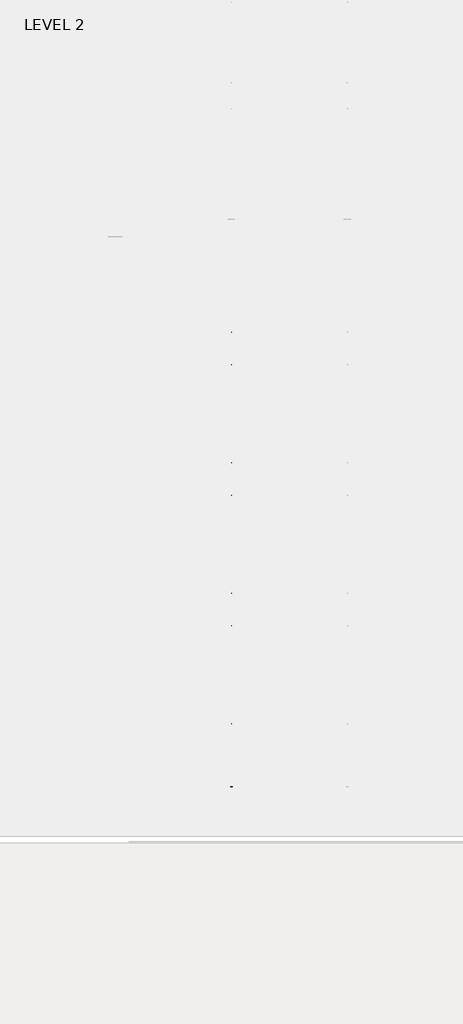
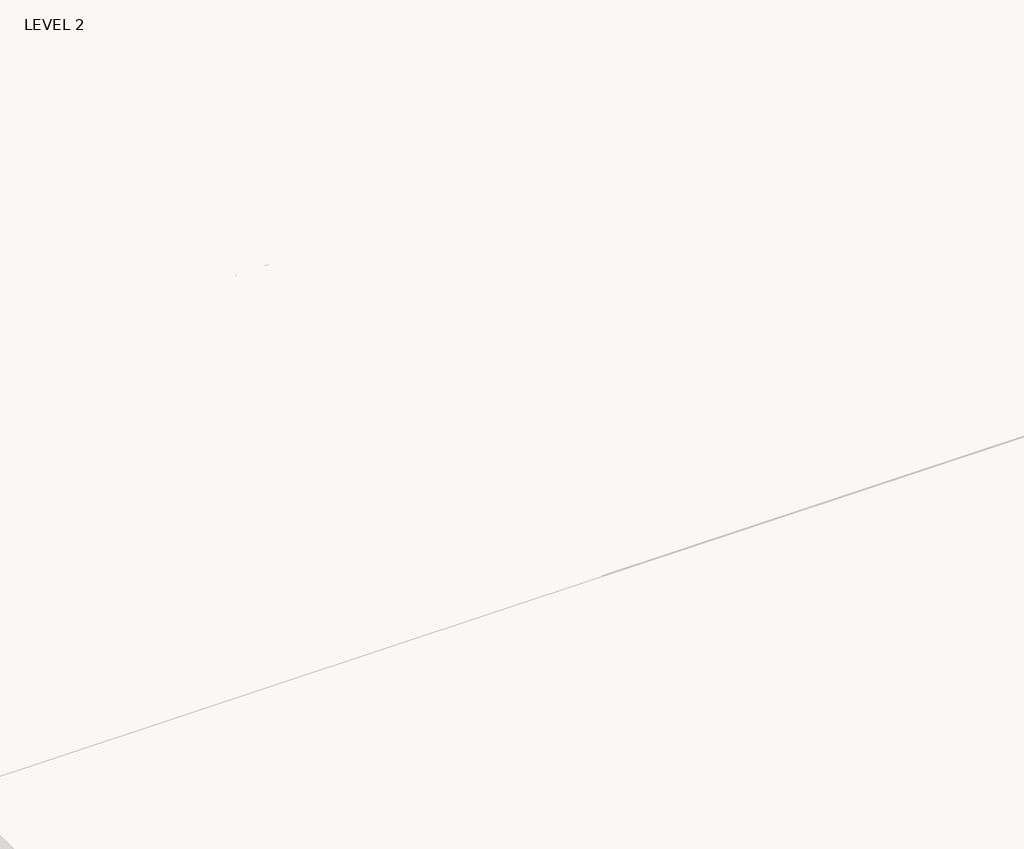
# One storey, part 10 of 67: 1 beam.
"""IFC4 building model written with IfcOpenShell, lengths in millimetres."""

from ifc_helpers import new_model, si_unit, frame, origin, place, context, project, spatial, polyline, outline, extrude, faceted_brep, element, save

model = new_model("IFC4")

# Units and contexts
model_context = context("Model", 3, world=origin())
ifc_project = project(units=[si_unit("LENGTHUNIT", "METRE", prefix="MILLI")], contexts=[model_context])

# Site, building, storey
site = spatial("IfcSite", under=ifc_project)
building = spatial("IfcBuilding", under=site)
storey = spatial("IfcBuildingStorey", under=building, Name="LEVEL 2", Elevation=6908.8)

# Beam
placement = place(None, origin())
element("IfcBeam", 1, ObjectType="K-Series Bar Joist-Angle Web : 12K3", at=placement, inside=storey, context=model_context, shape_type="SolidModel", body=[
    extrude(outline(polyline([(0.0, -9.525), (0.0, 0.0), (573.7533355, 0.0), (573.7533355, -9.525), (0.0, -9.525)])), frame((13664.7614942, -8384.9703623, 6274.5702814), z_axis=(0.0, -0.47954343730979243, 0.8775181432501035), x_axis=(0.0, -0.8775181432501035, -0.47954343730979243)), (0.0, 0.0, 1.0), 9.525),
    extrude(outline(polyline([(0.0, -9.525), (0.0, 0.0), (573.7533355, 0.0), (573.7533355, -9.525), (0.0, -9.525)])), frame((13655.2364942, -14433.7556121, 6173.6227252), z_axis=(0.0, 0.44999492249664974, 0.893031113526978), x_axis=(0.0, 0.893031113526978, -0.44999492249664974)), (0.0, 0.0, 1.0), 9.525),
    extrude(outline(polyline([(4.7625, 4.7625001), (4.7625, -4.7625), (-4.7625, -4.7625), (-4.7625, 4.7625001), (4.7625, 4.7625001)])), frame((13659.9989942, -8890.7331495, 6003.6098148), z_axis=(0.0, 0.5446821447758766, 0.838642570564094), x_axis=(-1.0, 0.0, 0.0)), (0.0, 0.0, 1.0), 321.5434366),
    extrude(outline(polyline([(4.7625, 4.7625), (4.7625, -4.7625), (-4.7625, -4.7625), (-4.7625, 4.7625), (4.7625, 4.7625)])), frame((13659.9989942, -13919.2329312, 5919.6896981), z_axis=(0.0, -0.5723630656913158, 0.820000317702645), x_axis=(-1.0, 0.0, 0.0)), (0.0, 0.0, 1.0), 321.5434366),
    extrude(outline(polyline([(0.0, 0.0), (31.75, 0.0), (31.75, -6.35), (6.35, -6.35), (6.35, -31.7500001), (0.0, -31.7500001), (0.0, 0.0)])), frame((13664.7614942, -14020.7128256, 5911.6452263), z_axis=(0.0, 0.9998607694356157, 0.016686573753125922), x_axis=(1.0, 0.0, 0.0)), (0.0, 0.0, 1.0), 5232.4),
    extrude(outline(polyline([(-9.525, 0.0), (-9.525, -31.7500001), (-15.875, -31.7500001), (-15.875, -6.35), (-41.275, -6.35), (-41.275, 0.0), (-9.525, 0.0)])), frame((13664.7614942, -14020.7128256, 5911.6452263), z_axis=(0.0, 0.9998607694356157, 0.016686573753125922), x_axis=(1.0, 0.0, 0.0)), (0.0, 0.0, 1.0), 5232.4),
    extrude(outline(polyline([(-31.75, 0.0), (0.0, 0.0), (0.0, -6.35), (-25.4, -6.35), (-25.4, -31.7500001), (-31.75, -31.7500001), (-31.75, 0.0)])), frame((13696.5114942, -14532.6685667, 6144.4348505), z_axis=(0.0, 0.9998607694356157, 0.016686573753125922), x_axis=(1.0, 0.0, 0.0)), (0.0, 0.0, 1.0), 101.6),
    extrude(outline(polyline([(-41.275, 0.0), (-41.275, -31.7500001), (-47.625, -31.7500001), (-47.625, -6.35), (-73.025, -6.35), (-73.025, 0.0), (-41.275, 0.0)])), frame((13696.5114942, -14532.6685667, 6144.4348505), z_axis=(0.0, 0.9998607694356157, 0.016686573753125922), x_axis=(1.0, 0.0, 0.0)), (0.0, 0.0, 1.0), 101.6),
    extrude(outline(polyline([(0.0, 0.0), (31.75, 0.0), (31.75, -6.35), (6.35, -6.35), (6.35, -31.75), (0.0, -31.75), (0.0, 0.0)])), frame((13655.2364942, -8386.7243892, 6247.0038821), z_axis=(0.0, 0.9998607694356157, 0.016686573753125922), x_axis=(0.0, -0.016686573753125922, 0.9998607694356157)), (0.0, 0.0, 1.0), 101.6),
    extrude(outline(polyline([(0.0, 41.275), (6.35, 41.275), (6.35, 15.875), (31.75, 15.875), (31.75, 9.525), (0.0, 9.525), (0.0, 41.275)])), frame((13655.2364942, -8386.7243892, 6247.0038821), z_axis=(0.0, 0.9998607694356157, 0.016686573753125922), x_axis=(0.0, -0.016686573753125922, 0.9998607694356157)), (0.0, 0.0, 1.0), 101.6),
    extrude(outline(polyline([(0.0, 0.0), (31.75, 0.0), (31.75, -6.35), (6.35, -6.35), (6.35, -31.75), (0.0, -31.75), (0.0, 0.0)])), frame((13664.7614942, -14533.7281642, 6207.9260094), z_axis=(0.0, 0.9998607694356157, 0.016686573753125922), x_axis=(0.0, 0.016686573753125922, -0.9998607694356157)), (0.0, 0.0, 1.0), 6248.4),
    extrude(outline(polyline([(0.0, 9.525), (0.0, 41.275), (6.35, 41.275), (6.35, 15.875), (31.75, 15.875), (31.75, 9.525), (0.0, 9.525)])), frame((13664.7614942, -14533.7281642, 6207.9260094), z_axis=(0.0, 0.9998607694356157, 0.016686573753125922), x_axis=(0.0, 0.016686573753125922, -0.9998607694356157)), (0.0, 0.0, 1.0), 6248.4),
    faceted_brep([(13659.9989942, -8890.9980489, 6019.4826046), (13659.9989942, -8890.6801697, 6000.4352569), (13655.2364942, -8890.6801697, 6000.4352569), (13655.2364942, -8890.9980489, 6019.4826046), (13659.9989942, -8891.9429222, 6019.4668357), (13659.9989942, -9063.496197, 6296.0427071), (13659.9989942, -9081.5986714, 6295.7405968), (13659.9989942, -9081.2807922, 6276.6932491), (13659.9989942, -9073.986803, 6276.8149778), (13659.9989942, -8902.4335282, 6000.2391063), (13655.2364942, -8902.4335282, 6000.2391063), (13655.2364942, -8923.8776875, 6034.8110902), (13655.2364942, -8919.8305256, 6037.3214462), (13655.2364942, -9060.192296, 6263.6107955), (13655.2364942, -9064.2394579, 6261.1004396), (13655.2364942, -9073.986803, 6276.8149778), (13655.2364942, -9081.2807922, 6276.6932491), (13655.2364942, -9081.5986714, 6295.7405968), (13655.2364942, -9063.496197, 6296.0427071), (13655.2364942, -8891.9429222, 6019.4668357), (13642.5364942, -9064.2394579, 6261.1004396), (13642.5364942, -8923.8776875, 6034.8110902), (13642.5364942, -8919.8305256, 6037.3214462), (13642.5364942, -9060.192296, 6263.6107955)], [[[0, 1, 2, 3]], [[1, 0, 4, 5, 6, 7, 8, 9]], [[2, 1, 9, 10]], [[3, 2, 10, 11, 12, 13, 14, 15, 16, 17, 18, 19]], [[0, 3, 19, 4]], [[9, 8, 15, 14, 20, 21, 11, 10]], [[5, 4, 19, 18]], [[7, 6, 17, 16]], [[8, 7, 16, 15]], [[6, 5, 18, 17]], [[21, 22, 12, 11]], [[20, 14, 13, 23]], [[22, 21, 20, 23]], [[12, 22, 23, 13]]]),
    extrude(outline(polyline([(-9249.8587255, 5994.4409629), (-9250.1766047, 6013.4883105), (-9249.2317315, 6013.5040794), (-9087.002914, 6295.6504059), (-9068.9004396, 6295.9525163), (-9068.5825604, 6276.9051686), (-9075.8765496, 6276.78344), (-9238.105367, 5994.6371134), (-9249.8587255, 5994.4409629)])), frame((13659.9989942, 0.0, 0.0), z_axis=(1.0, 0.0, 0.0), x_axis=(0.0, 1.0, 0.0)), (0.0, 0.0, 1.0), 4.7625),
    extrude(outline(polyline([(-4.7625, 4.7625001), (-4.7625, 0.0), (-17.4625, 0.0), (-17.4625, 4.7625001), (-4.7625, 4.7625001)])), frame((13659.9989942, -9217.8267648, 6029.9054043), z_axis=(0.0, 0.4984588389961533, 0.8669133669673152), x_axis=(-1.0, 0.0, 0.0)), (0.0, 0.0, 1.0), 266.2861172),
    faceted_brep([(13659.9989942, -13560.3192747, 5941.5567819), (13659.9989942, -13560.0013955, 5922.5094342), (13655.2364942, -13560.0013955, 5922.5094342), (13655.2364942, -13560.3192747, 5941.5567819), (13659.9989942, -13561.264148, 5941.541013), (13659.9989942, -13732.8174229, 6218.1168844), (13659.9989942, -13750.9198972, 6217.8147741), (13659.9989942, -13750.602018, 6198.7674264), (13659.9989942, -13743.3080288, 6198.8891551), (13659.9989942, -13571.754754, 5922.3132836), (13655.2364942, -13571.754754, 5922.3132836), (13655.2364942, -13593.1989133, 5956.8852676), (13655.2364942, -13589.1517514, 5959.3956235), (13655.2364942, -13729.5135218, 6185.6849729), (13655.2364942, -13733.5606837, 6183.1746169), (13655.2364942, -13743.3080288, 6198.8891551), (13655.2364942, -13750.602018, 6198.7674264), (13655.2364942, -13750.9198972, 6217.8147741), (13655.2364942, -13732.8174229, 6218.1168844), (13655.2364942, -13561.264148, 5941.541013), (13642.5364942, -13733.5606837, 6183.1746169), (13642.5364942, -13593.1989133, 5956.8852676), (13642.5364942, -13589.1517514, 5959.3956235), (13642.5364942, -13729.5135218, 6185.6849729)], [[[0, 1, 2, 3]], [[1, 0, 4, 5, 6, 7, 8, 9]], [[2, 1, 9, 10]], [[3, 2, 10, 11, 12, 13, 14, 15, 16, 17, 18, 19]], [[0, 3, 19, 4]], [[9, 8, 15, 14, 20, 21, 11, 10]], [[5, 4, 19, 18]], [[7, 6, 17, 16]], [[8, 7, 16, 15]], [[6, 5, 18, 17]], [[21, 22, 12, 11]], [[20, 14, 13, 23]], [[22, 21, 20, 23]], [[12, 22, 23, 13]]]),
    extrude(outline(polyline([(-13919.1799513, 5916.5151402), (-13919.4978306, 5935.5624878), (-13918.5529573, 5935.5782567), (-13756.3241398, 6217.7245833), (-13738.2216655, 6218.0266936), (-13737.9037862, 6198.9793459), (-13745.1977754, 6198.8576173), (-13907.4265928, 5916.7112908), (-13919.1799513, 5916.5151402)])), frame((13659.9989942, 0.0, 0.0), z_axis=(1.0, 0.0, 0.0), x_axis=(0.0, 1.0, 0.0)), (0.0, 0.0, 1.0), 4.7625),
    extrude(outline(polyline([(-4.7625, 4.7625), (-4.7625, 0.0), (-17.4625, 0.0), (-17.4625, 4.7625), (-4.7625, 4.7625)])), frame((13659.9989942, -13887.1479907, 5951.9795816), z_axis=(0.0, 0.4984588389961533, 0.8669133669673152), x_axis=(-1.0, 0.0, 0.0)), (0.0, 0.0, 1.0), 266.2861172),
    faceted_brep([(13659.9989942, -9250.1766047, 6013.4883105), (13659.9989942, -9249.8587255, 5994.4409629), (13655.2364942, -9249.8587255, 5994.4409629), (13655.2364942, -9250.1766047, 6013.4883105), (13659.9989942, -9251.121478, 6013.4725416), (13659.9989942, -9422.6747529, 6290.0484131), (13659.9989942, -9440.7772272, 6289.7463027), (13659.9989942, -9440.459348, 6270.6989551), (13659.9989942, -9433.1653588, 6270.8206837), (13659.9989942, -9261.612084, 5994.2448123), (13655.2364942, -9261.612084, 5994.2448123), (13655.2364942, -9283.0562434, 6028.8167962), (13655.2364942, -9279.0090815, 6031.3271521), (13655.2364942, -9419.3708518, 6257.6165015), (13655.2364942, -9423.4180137, 6255.1061455), (13655.2364942, -9433.1653588, 6270.8206837), (13655.2364942, -9440.459348, 6270.6989551), (13655.2364942, -9440.7772272, 6289.7463027), (13655.2364942, -9422.6747529, 6290.0484131), (13655.2364942, -9251.121478, 6013.4725416), (13642.5364942, -9423.4180137, 6255.1061455), (13642.5364942, -9283.0562434, 6028.8167962), (13642.5364942, -9279.0090815, 6031.3271521), (13642.5364942, -9419.3708518, 6257.6165015)], [[[0, 1, 2, 3]], [[1, 0, 4, 5, 6, 7, 8, 9]], [[2, 1, 9, 10]], [[3, 2, 10, 11, 12, 13, 14, 15, 16, 17, 18, 19]], [[0, 3, 19, 4]], [[9, 8, 15, 14, 20, 21, 11, 10]], [[5, 4, 19, 18]], [[7, 6, 17, 16]], [[8, 7, 16, 15]], [[6, 5, 18, 17]], [[21, 22, 12, 11]], [[20, 14, 13, 23]], [[22, 21, 20, 23]], [[12, 22, 23, 13]]]),
    extrude(outline(polyline([(-9609.0372813, 5988.4466688), (-9609.3551606, 6007.4940165), (-9608.4102873, 6007.5097854), (-9446.1814699, 6289.6561119), (-9428.0789955, 6289.9582222), (-9427.7611162, 6270.9108746), (-9435.0551054, 6270.7891459), (-9597.2839229, 5988.6428194), (-9609.0372813, 5988.4466688)])), frame((13659.9989942, 0.0, 0.0), z_axis=(1.0, 0.0, 0.0), x_axis=(0.0, 1.0, 0.0)), (0.0, 0.0, 1.0), 4.7625),
    extrude(outline(polyline([(-4.7625, 4.7625), (-4.7625, 0.0), (-17.4625, 0.0), (-17.4625, 4.7625), (-4.7625, 4.7625)])), frame((13659.9989942, -9577.0053207, 6023.9111102), z_axis=(0.0, 0.4984588389961533, 0.8669133669673152), x_axis=(-1.0, 0.0, 0.0)), (0.0, 0.0, 1.0), 266.2861172),
    faceted_brep([(13659.9989942, -9609.3551606, 6007.4940165), (13659.9989942, -9609.0372813, 5988.4466688), (13655.2364942, -9609.0372813, 5988.4466688), (13655.2364942, -9609.3551606, 6007.4940165), (13659.9989942, -9610.3000339, 6007.4782476), (13659.9989942, -9781.8533087, 6284.054119), (13659.9989942, -9799.9557831, 6283.7520087), (13659.9989942, -9799.6379039, 6264.704661), (13659.9989942, -9792.3439147, 6264.8263896), (13659.9989942, -9620.7906398, 5988.2505182), (13655.2364942, -9620.7906398, 5988.2505182), (13655.2364942, -9642.2347992, 6022.8225021), (13655.2364942, -9638.1876373, 6025.3328581), (13655.2364942, -9778.5494076, 6251.6222074), (13655.2364942, -9782.5965695, 6249.1118515), (13655.2364942, -9792.3439147, 6264.8263896), (13655.2364942, -9799.6379039, 6264.704661), (13655.2364942, -9799.9557831, 6283.7520087), (13655.2364942, -9781.8533087, 6284.054119), (13655.2364942, -9610.3000339, 6007.4782476), (13642.5364942, -9782.5965695, 6249.1118515), (13642.5364942, -9642.2347992, 6022.8225021), (13642.5364942, -9638.1876373, 6025.3328581), (13642.5364942, -9778.5494076, 6251.6222074)], [[[0, 1, 2, 3]], [[1, 0, 4, 5, 6, 7, 8, 9]], [[2, 1, 9, 10]], [[3, 2, 10, 11, 12, 13, 14, 15, 16, 17, 18, 19]], [[0, 3, 19, 4]], [[9, 8, 15, 14, 20, 21, 11, 10]], [[5, 4, 19, 18]], [[7, 6, 17, 16]], [[8, 7, 16, 15]], [[6, 5, 18, 17]], [[21, 22, 12, 11]], [[20, 14, 13, 23]], [[22, 21, 20, 23]], [[12, 22, 23, 13]]]),
    extrude(outline(polyline([(-9968.2158372, 5982.4523747), (-9968.5337164, 6001.4997224), (-9967.5888431, 6001.5154913), (-9805.3600257, 6283.6618178), (-9787.2575513, 6283.9639282), (-9786.9396721, 6264.9165805), (-9794.2336612, 6264.7948519), (-9956.4624787, 5982.6485253), (-9968.2158372, 5982.4523747)])), frame((13659.9989942, 0.0, 0.0), z_axis=(1.0, 0.0, 0.0), x_axis=(0.0, 1.0, 0.0)), (0.0, 0.0, 1.0), 4.7625),
    extrude(outline(polyline([(-4.7625, 4.7625), (-4.7625, 0.0), (-17.4625, 0.0), (-17.4625, 4.7625), (-4.7625, 4.7625)])), frame((13659.9989942, -9936.1838765, 6017.9168162), z_axis=(0.0, 0.4984588389961533, 0.8669133669673152), x_axis=(-1.0, 0.0, 0.0)), (0.0, 0.0, 1.0), 266.2861172),
    faceted_brep([(13659.9989942, -9968.5337164, 6001.4997224), (13659.9989942, -9968.2158372, 5982.4523747), (13655.2364942, -9968.2158372, 5982.4523747), (13655.2364942, -9968.5337164, 6001.4997224), (13659.9989942, -9969.4785897, 6001.4839535), (13659.9989942, -10141.0318645, 6278.059825), (13659.9989942, -10159.1343389, 6277.7577146), (13659.9989942, -10158.8164597, 6258.710367), (13659.9989942, -10151.5224705, 6258.8320956), (13659.9989942, -9979.9691957, 5982.2562242), (13655.2364942, -9979.9691957, 5982.2562242), (13655.2364942, -10001.413355, 6016.8282081), (13655.2364942, -9997.3661931, 6019.338564), (13655.2364942, -10137.7279635, 6245.6279134), (13655.2364942, -10141.7751254, 6243.1175574), (13655.2364942, -10151.5224705, 6258.8320956), (13655.2364942, -10158.8164597, 6258.710367), (13655.2364942, -10159.1343389, 6277.7577146), (13655.2364942, -10141.0318645, 6278.059825), (13655.2364942, -9969.4785897, 6001.4839535), (13642.5364942, -10141.7751254, 6243.1175574), (13642.5364942, -10001.413355, 6016.8282081), (13642.5364942, -9997.3661931, 6019.338564), (13642.5364942, -10137.7279635, 6245.6279134)], [[[0, 1, 2, 3]], [[1, 0, 4, 5, 6, 7, 8, 9]], [[2, 1, 9, 10]], [[3, 2, 10, 11, 12, 13, 14, 15, 16, 17, 18, 19]], [[0, 3, 19, 4]], [[9, 8, 15, 14, 20, 21, 11, 10]], [[5, 4, 19, 18]], [[7, 6, 17, 16]], [[8, 7, 16, 15]], [[6, 5, 18, 17]], [[21, 22, 12, 11]], [[20, 14, 13, 23]], [[22, 21, 20, 23]], [[12, 22, 23, 13]]]),
    extrude(outline(polyline([(-10327.394393, 5976.4580807), (-10327.7122722, 5995.5054284), (-10326.767399, 5995.5211972), (-10164.5385815, 6277.6675238), (-10146.4361071, 6277.9696341), (-10146.1182279, 6258.9222864), (-10153.4122171, 6258.8005578), (-10315.6410345, 5976.6542313), (-10327.394393, 5976.4580807)])), frame((13659.9989942, 0.0, 0.0), z_axis=(1.0, 0.0, 0.0), x_axis=(0.0, 1.0, 0.0)), (0.0, 0.0, 1.0), 4.7625),
    extrude(outline(polyline([(-4.7625, 4.7625), (-4.7625, 0.0), (-17.4625, 0.0), (-17.4625, 4.7625), (-4.7625, 4.7625)])), frame((13659.9989942, -10295.3624323, 6011.9225221), z_axis=(0.0, 0.4984588389961533, 0.8669133669673152), x_axis=(-1.0, 0.0, 0.0)), (0.0, 0.0, 1.0), 266.2861172),
    faceted_brep([(13659.9989942, -10327.7122722, 5995.5054284), (13659.9989942, -10327.394393, 5976.4580807), (13655.2364942, -10327.394393, 5976.4580807), (13655.2364942, -10327.7122722, 5995.5054284), (13659.9989942, -10328.6571455, 5995.4896595), (13659.9989942, -10500.2104204, 6272.0655309), (13659.9989942, -10518.3128947, 6271.7634206), (13659.9989942, -10517.9950155, 6252.7160729), (13659.9989942, -10510.7010263, 6252.8378015), (13659.9989942, -10339.1477515, 5976.2619301), (13655.2364942, -10339.1477515, 5976.2619301), (13655.2364942, -10360.5919108, 6010.833914), (13655.2364942, -10356.544749, 6013.34427), (13655.2364942, -10496.9065193, 6239.6336193), (13655.2364942, -10500.9536812, 6237.1232634), (13655.2364942, -10510.7010263, 6252.8378015), (13655.2364942, -10517.9950155, 6252.7160729), (13655.2364942, -10518.3128947, 6271.7634206), (13655.2364942, -10500.2104204, 6272.0655309), (13655.2364942, -10328.6571455, 5995.4896595), (13642.5364942, -10500.9536812, 6237.1232634), (13642.5364942, -10360.5919108, 6010.833914), (13642.5364942, -10356.544749, 6013.34427), (13642.5364942, -10496.9065193, 6239.6336193)], [[[0, 1, 2, 3]], [[1, 0, 4, 5, 6, 7, 8, 9]], [[2, 1, 9, 10]], [[3, 2, 10, 11, 12, 13, 14, 15, 16, 17, 18, 19]], [[0, 3, 19, 4]], [[9, 8, 15, 14, 20, 21, 11, 10]], [[5, 4, 19, 18]], [[7, 6, 17, 16]], [[8, 7, 16, 15]], [[6, 5, 18, 17]], [[21, 22, 12, 11]], [[20, 14, 13, 23]], [[22, 21, 20, 23]], [[12, 22, 23, 13]]]),
    extrude(outline(polyline([(-10686.5729488, 5970.4637866), (-10686.8908281, 5989.5111343), (-10685.9459548, 5989.5269032), (-10523.7171373, 6271.6732297), (-10505.614663, 6271.9753401), (-10505.2967837, 6252.9279924), (-10512.5907729, 6252.8062638), (-10674.8195903, 5970.6599372), (-10686.5729488, 5970.4637866)])), frame((13659.9989942, 0.0, 0.0), z_axis=(1.0, 0.0, 0.0), x_axis=(0.0, 1.0, 0.0)), (0.0, 0.0, 1.0), 4.7625),
    extrude(outline(polyline([(-4.7625, 4.7625), (-4.7625, 0.0), (-17.4625, 0.0), (-17.4625, 4.7625), (-4.7625, 4.7625)])), frame((13659.9989942, -10654.5409882, 6005.9282281), z_axis=(0.0, 0.4984588389961533, 0.8669133669673152), x_axis=(-1.0, 0.0, 0.0)), (0.0, 0.0, 1.0), 266.2861172),
    faceted_brep([(13659.9989942, -10686.8908281, 5989.5111343), (13659.9989942, -10686.5729488, 5970.4637866), (13655.2364942, -10686.5729488, 5970.4637866), (13655.2364942, -10686.8908281, 5989.5111343), (13659.9989942, -10687.8357014, 5989.4953654), (13659.9989942, -10859.3889762, 6266.0712369), (13659.9989942, -10877.4914506, 6265.7691265), (13659.9989942, -10877.1735713, 6246.7217789), (13659.9989942, -10869.8795822, 6246.8435075), (13659.9989942, -10698.3263073, 5970.2676361), (13655.2364942, -10698.3263073, 5970.2676361), (13655.2364942, -10719.7704667, 6004.83962), (13655.2364942, -10715.7233048, 6007.3499759), (13655.2364942, -10856.0850751, 6233.6393253), (13655.2364942, -10860.132237, 6231.1289693), (13655.2364942, -10869.8795822, 6246.8435075), (13655.2364942, -10877.1735713, 6246.7217789), (13655.2364942, -10877.4914506, 6265.7691265), (13655.2364942, -10859.3889762, 6266.0712369), (13655.2364942, -10687.8357014, 5989.4953654), (13642.5364942, -10860.132237, 6231.1289693), (13642.5364942, -10719.7704667, 6004.83962), (13642.5364942, -10715.7233048, 6007.3499759), (13642.5364942, -10856.0850751, 6233.6393253)], [[[0, 1, 2, 3]], [[1, 0, 4, 5, 6, 7, 8, 9]], [[2, 1, 9, 10]], [[3, 2, 10, 11, 12, 13, 14, 15, 16, 17, 18, 19]], [[0, 3, 19, 4]], [[9, 8, 15, 14, 20, 21, 11, 10]], [[5, 4, 19, 18]], [[7, 6, 17, 16]], [[8, 7, 16, 15]], [[6, 5, 18, 17]], [[21, 22, 12, 11]], [[20, 14, 13, 23]], [[22, 21, 20, 23]], [[12, 22, 23, 13]]]),
    extrude(outline(polyline([(-11045.7515047, 5964.4694926), (-11046.0693839, 5983.5168403), (-11045.1245106, 5983.5326091), (-10882.8956932, 6265.6789357), (-10864.7932188, 6265.981046), (-10864.4753396, 6246.9336983), (-10871.7693287, 6246.8119697), (-11033.9981462, 5964.6656432), (-11045.7515047, 5964.4694926)])), frame((13659.9989942, 0.0, 0.0), z_axis=(1.0, 0.0, 0.0), x_axis=(0.0, 1.0, 0.0)), (0.0, 0.0, 1.0), 4.7625),
    extrude(outline(polyline([(-4.7625, 4.7625), (-4.7625, 0.0), (-17.4625, 0.0), (-17.4625, 4.7625), (-4.7625, 4.7625)])), frame((13659.9989942, -11013.719544, 5999.933934), z_axis=(0.0, 0.4984588389961533, 0.8669133669673152), x_axis=(-1.0, 0.0, 0.0)), (0.0, 0.0, 1.0), 266.2861172),
    faceted_brep([(13659.9989942, -11046.0693839, 5983.5168403), (13659.9989942, -11045.7515047, 5964.4694926), (13655.2364942, -11045.7515047, 5964.4694926), (13655.2364942, -11046.0693839, 5983.5168403), (13659.9989942, -11047.0142572, 5983.5010714), (13659.9989942, -11218.567532, 6260.0769428), (13659.9989942, -11236.6700064, 6259.7748325), (13659.9989942, -11236.3521272, 6240.7274848), (13659.9989942, -11229.058138, 6240.8492134), (13659.9989942, -11057.5048632, 5964.273342), (13655.2364942, -11057.5048632, 5964.273342), (13655.2364942, -11078.9490225, 5998.8453259), (13655.2364942, -11074.9018606, 6001.3556819), (13655.2364942, -11215.263631, 6227.6450312), (13655.2364942, -11219.3107928, 6225.1346753), (13655.2364942, -11229.058138, 6240.8492134), (13655.2364942, -11236.3521272, 6240.7274848), (13655.2364942, -11236.6700064, 6259.7748325), (13655.2364942, -11218.567532, 6260.0769428), (13655.2364942, -11047.0142572, 5983.5010714), (13642.5364942, -11219.3107928, 6225.1346753), (13642.5364942, -11078.9490225, 5998.8453259), (13642.5364942, -11074.9018606, 6001.3556819), (13642.5364942, -11215.263631, 6227.6450312)], [[[0, 1, 2, 3]], [[1, 0, 4, 5, 6, 7, 8, 9]], [[2, 1, 9, 10]], [[3, 2, 10, 11, 12, 13, 14, 15, 16, 17, 18, 19]], [[0, 3, 19, 4]], [[9, 8, 15, 14, 20, 21, 11, 10]], [[5, 4, 19, 18]], [[7, 6, 17, 16]], [[8, 7, 16, 15]], [[6, 5, 18, 17]], [[21, 22, 12, 11]], [[20, 14, 13, 23]], [[22, 21, 20, 23]], [[12, 22, 23, 13]]]),
    extrude(outline(polyline([(-11404.9300605, 5958.4751985), (-11405.2479397, 5977.5225462), (-11404.3030664, 5977.5383151), (-11242.074249, 6259.6846416), (-11223.9717746, 6259.986752), (-11223.6538954, 6240.9394043), (-11230.9478846, 6240.8176757), (-11393.176702, 5958.6713491), (-11404.9300605, 5958.4751985)])), frame((13659.9989942, 0.0, 0.0), z_axis=(1.0, 0.0, 0.0), x_axis=(0.0, 1.0, 0.0)), (0.0, 0.0, 1.0), 4.7625),
    extrude(outline(polyline([(-4.7625, 4.7625), (-4.7625, 0.0), (-17.4625, 0.0), (-17.4625, 4.7625), (-4.7625, 4.7625)])), frame((13659.9989942, -11372.8980998, 5993.93964), z_axis=(0.0, 0.4984588389961533, 0.8669133669673152), x_axis=(-1.0, 0.0, 0.0)), (0.0, 0.0, 1.0), 266.2861172),
    faceted_brep([(13659.9989942, -11405.2479397, 5977.5225462), (13659.9989942, -11404.9300605, 5958.4751985), (13655.2364942, -11404.9300605, 5958.4751985), (13655.2364942, -11405.2479397, 5977.5225462), (13659.9989942, -11406.192813, 5977.5067773), (13659.9989942, -11577.7460879, 6254.0826487), (13659.9989942, -11595.8485622, 6253.7805384), (13659.9989942, -11595.530683, 6234.7331908), (13659.9989942, -11588.2366938, 6234.8549194), (13659.9989942, -11416.683419, 5958.279048), (13655.2364942, -11416.683419, 5958.279048), (13655.2364942, -11438.1275783, 5992.8510319), (13655.2364942, -11434.0804165, 5995.3613878), (13655.2364942, -11574.4421868, 6221.6507372), (13655.2364942, -11578.4893487, 6219.1403812), (13655.2364942, -11588.2366938, 6234.8549194), (13655.2364942, -11595.530683, 6234.7331908), (13655.2364942, -11595.8485622, 6253.7805384), (13655.2364942, -11577.7460879, 6254.0826487), (13655.2364942, -11406.192813, 5977.5067773), (13642.5364942, -11578.4893487, 6219.1403812), (13642.5364942, -11438.1275783, 5992.8510319), (13642.5364942, -11434.0804165, 5995.3613878), (13642.5364942, -11574.4421868, 6221.6507372)], [[[0, 1, 2, 3]], [[1, 0, 4, 5, 6, 7, 8, 9]], [[2, 1, 9, 10]], [[3, 2, 10, 11, 12, 13, 14, 15, 16, 17, 18, 19]], [[0, 3, 19, 4]], [[9, 8, 15, 14, 20, 21, 11, 10]], [[5, 4, 19, 18]], [[7, 6, 17, 16]], [[8, 7, 16, 15]], [[6, 5, 18, 17]], [[21, 22, 12, 11]], [[20, 14, 13, 23]], [[22, 21, 20, 23]], [[12, 22, 23, 13]]]),
    extrude(outline(polyline([(-11764.1086163, 5952.4809045), (-11764.4264956, 5971.5282522), (-11763.4816223, 5971.544021), (-11601.2528048, 6253.6903476), (-11583.1503305, 6253.9924579), (-11582.8324512, 6234.9451102), (-11590.1264404, 6234.8233816), (-11752.3552578, 5952.6770551), (-11764.1086163, 5952.4809045)])), frame((13659.9989942, 0.0, 0.0), z_axis=(1.0, 0.0, 0.0), x_axis=(0.0, 1.0, 0.0)), (0.0, 0.0, 1.0), 4.7625),
    extrude(outline(polyline([(-4.7625, 4.7625), (-4.7625, 0.0), (-17.4625, 0.0), (-17.4625, 4.7625), (-4.7625, 4.7625)])), frame((13659.9989942, -11732.0766557, 5987.9453459), z_axis=(0.0, 0.4984588389961533, 0.8669133669673152), x_axis=(-1.0, 0.0, 0.0)), (0.0, 0.0, 1.0), 266.2861172),
    faceted_brep([(13659.9989942, -11764.4264956, 5971.5282522), (13659.9989942, -11764.1086163, 5952.4809045), (13655.2364942, -11764.1086163, 5952.4809045), (13655.2364942, -11764.4264956, 5971.5282522), (13659.9989942, -11765.3713688, 5971.5124833), (13659.9989942, -11936.9246437, 6248.0883547), (13659.9989942, -11955.0271181, 6247.7862444), (13659.9989942, -11954.7092388, 6228.7388967), (13659.9989942, -11947.4152497, 6228.8606253), (13659.9989942, -11775.8619748, 5952.2847539), (13655.2364942, -11775.8619748, 5952.2847539), (13655.2364942, -11797.3061342, 5986.8567378), (13655.2364942, -11793.2589723, 5989.3670938), (13655.2364942, -11933.6207426, 6215.6564431), (13655.2364942, -11937.6679045, 6213.1460872), (13655.2364942, -11947.4152497, 6228.8606253), (13655.2364942, -11954.7092388, 6228.7388967), (13655.2364942, -11955.0271181, 6247.7862444), (13655.2364942, -11936.9246437, 6248.0883547), (13655.2364942, -11765.3713688, 5971.5124833), (13642.5364942, -11937.6679045, 6213.1460872), (13642.5364942, -11797.3061342, 5986.8567378), (13642.5364942, -11793.2589723, 5989.3670938), (13642.5364942, -11933.6207426, 6215.6564431)], [[[0, 1, 2, 3]], [[1, 0, 4, 5, 6, 7, 8, 9]], [[2, 1, 9, 10]], [[3, 2, 10, 11, 12, 13, 14, 15, 16, 17, 18, 19]], [[0, 3, 19, 4]], [[9, 8, 15, 14, 20, 21, 11, 10]], [[5, 4, 19, 18]], [[7, 6, 17, 16]], [[8, 7, 16, 15]], [[6, 5, 18, 17]], [[21, 22, 12, 11]], [[20, 14, 13, 23]], [[22, 21, 20, 23]], [[12, 22, 23, 13]]]),
    extrude(outline(polyline([(-12123.2871722, 5946.4866104), (-12123.6050514, 5965.5339581), (-12122.6601781, 5965.549727), (-11960.4313607, 6247.6960535), (-11942.3288863, 6247.9981638), (-11942.0110071, 6228.9508162), (-11949.3049962, 6228.8290876), (-12111.5338137, 5946.682761), (-12123.2871722, 5946.4866104)])), frame((13659.9989942, 0.0, 0.0), z_axis=(1.0, 0.0, 0.0), x_axis=(0.0, 1.0, 0.0)), (0.0, 0.0, 1.0), 4.7625),
    extrude(outline(polyline([(-4.7625, 4.7625), (-4.7625, 0.0), (-17.4625, 0.0), (-17.4625, 4.7625), (-4.7625, 4.7625)])), frame((13659.9989942, -12091.2552115, 5981.9510518), z_axis=(0.0, 0.4984588389961533, 0.8669133669673152), x_axis=(-1.0, 0.0, 0.0)), (0.0, 0.0, 1.0), 266.2861172),
    faceted_brep([(13659.9989942, -12123.6050514, 5965.5339581), (13659.9989942, -12123.2871722, 5946.4866104), (13655.2364942, -12123.2871722, 5946.4866104), (13655.2364942, -12123.6050514, 5965.5339581), (13659.9989942, -12124.5499247, 5965.5181892), (13659.9989942, -12296.1031995, 6242.0940606), (13659.9989942, -12314.2056739, 6241.7919503), (13659.9989942, -12313.8877947, 6222.7446027), (13659.9989942, -12306.5938055, 6222.8663313), (13659.9989942, -12135.0405307, 5946.2904598), (13655.2364942, -12135.0405307, 5946.2904598), (13655.2364942, -12156.48469, 5980.8624438), (13655.2364942, -12152.4375281, 5983.3727997), (13655.2364942, -12292.7992984, 6209.6621491), (13655.2364942, -12296.8464603, 6207.1517931), (13655.2364942, -12306.5938055, 6222.8663313), (13655.2364942, -12313.8877947, 6222.7446027), (13655.2364942, -12314.2056739, 6241.7919503), (13655.2364942, -12296.1031995, 6242.0940606), (13655.2364942, -12124.5499247, 5965.5181892), (13642.5364942, -12296.8464603, 6207.1517931), (13642.5364942, -12156.48469, 5980.8624438), (13642.5364942, -12152.4375281, 5983.3727997), (13642.5364942, -12292.7992984, 6209.6621491)], [[[0, 1, 2, 3]], [[1, 0, 4, 5, 6, 7, 8, 9]], [[2, 1, 9, 10]], [[3, 2, 10, 11, 12, 13, 14, 15, 16, 17, 18, 19]], [[0, 3, 19, 4]], [[9, 8, 15, 14, 20, 21, 11, 10]], [[5, 4, 19, 18]], [[7, 6, 17, 16]], [[8, 7, 16, 15]], [[6, 5, 18, 17]], [[21, 22, 12, 11]], [[20, 14, 13, 23]], [[22, 21, 20, 23]], [[12, 22, 23, 13]]]),
    extrude(outline(polyline([(-12482.465728, 5940.4923164), (-12482.7836072, 5959.539664), (-12481.8387339, 5959.5554329), (-12319.6099165, 6241.7017595), (-12301.5074421, 6242.0038698), (-12301.1895629, 6222.9565221), (-12308.4835521, 6222.8347935), (-12470.7123695, 5940.688467), (-12482.465728, 5940.4923164)])), frame((13659.9989942, 0.0, 0.0), z_axis=(1.0, 0.0, 0.0), x_axis=(0.0, 1.0, 0.0)), (0.0, 0.0, 1.0), 4.7625),
    extrude(outline(polyline([(-4.7625, 4.7625), (-4.7625, 0.0), (-17.4625, 0.0), (-17.4625, 4.7625), (-4.7625, 4.7625)])), frame((13659.9989942, -12450.4337673, 5975.9567578), z_axis=(0.0, 0.4984588389961533, 0.8669133669673152), x_axis=(-1.0, 0.0, 0.0)), (0.0, 0.0, 1.0), 266.2861172),
    faceted_brep([(13659.9989942, -12482.7836072, 5959.539664), (13659.9989942, -12482.465728, 5940.4923164), (13655.2364942, -12482.465728, 5940.4923164), (13655.2364942, -12482.7836072, 5959.539664), (13659.9989942, -12483.7284805, 5959.5238952), (13659.9989942, -12655.2817554, 6236.0997666), (13659.9989942, -12673.3842297, 6235.7976563), (13659.9989942, -12673.0663505, 6216.7503086), (13659.9989942, -12665.7723613, 6216.8720372), (13659.9989942, -12494.2190865, 5940.2961658), (13655.2364942, -12494.2190865, 5940.2961658), (13655.2364942, -12515.6632458, 5974.8681497), (13655.2364942, -12511.6160839, 5977.3785056), (13655.2364942, -12651.9778543, 6203.667855), (13655.2364942, -12656.0250162, 6201.1574991), (13655.2364942, -12665.7723613, 6216.8720372), (13655.2364942, -12673.0663505, 6216.7503086), (13655.2364942, -12673.3842297, 6235.7976563), (13655.2364942, -12655.2817554, 6236.0997666), (13655.2364942, -12483.7284805, 5959.5238952), (13642.5364942, -12656.0250162, 6201.1574991), (13642.5364942, -12515.6632458, 5974.8681497), (13642.5364942, -12511.6160839, 5977.3785056), (13642.5364942, -12651.9778543, 6203.667855)], [[[0, 1, 2, 3]], [[1, 0, 4, 5, 6, 7, 8, 9]], [[2, 1, 9, 10]], [[3, 2, 10, 11, 12, 13, 14, 15, 16, 17, 18, 19]], [[0, 3, 19, 4]], [[9, 8, 15, 14, 20, 21, 11, 10]], [[5, 4, 19, 18]], [[7, 6, 17, 16]], [[8, 7, 16, 15]], [[6, 5, 18, 17]], [[21, 22, 12, 11]], [[20, 14, 13, 23]], [[22, 21, 20, 23]], [[12, 22, 23, 13]]]),
    extrude(outline(polyline([(-12841.6442838, 5934.4980223), (-12841.9621631, 5953.54537), (-12841.0172898, 5953.5611389), (-12678.7884723, 6235.7074654), (-12660.685998, 6236.0095757), (-12660.3681187, 6216.9622281), (-12667.6621079, 6216.8404995), (-12829.8909253, 5934.6941729), (-12841.6442838, 5934.4980223)])), frame((13659.9989942, 0.0, 0.0), z_axis=(1.0, 0.0, 0.0), x_axis=(0.0, 1.0, 0.0)), (0.0, 0.0, 1.0), 4.7625),
    extrude(outline(polyline([(-4.7625, 4.7625), (-4.7625, 0.0), (-17.4625, 0.0), (-17.4625, 4.7625), (-4.7625, 4.7625)])), frame((13659.9989942, -12809.6123232, 5969.9624637), z_axis=(0.0, 0.4984588389961533, 0.8669133669673152), x_axis=(-1.0, 0.0, 0.0)), (0.0, 0.0, 1.0), 266.2861172),
    faceted_brep([(13659.9989942, -12841.9621631, 5953.54537), (13659.9989942, -12841.6442838, 5934.4980223), (13655.2364942, -12841.6442838, 5934.4980223), (13655.2364942, -12841.9621631, 5953.54537), (13659.9989942, -12842.9070363, 5953.5296011), (13659.9989942, -13014.4603112, 6230.1054725), (13659.9989942, -13032.5627856, 6229.8033622), (13659.9989942, -13032.2449063, 6210.7560145), (13659.9989942, -13024.9509172, 6210.8777432), (13659.9989942, -12853.3976423, 5934.3018717), (13655.2364942, -12853.3976423, 5934.3018717), (13655.2364942, -12874.8418017, 5968.8738557), (13655.2364942, -12870.7946398, 5971.3842116), (13655.2364942, -13011.1564101, 6197.673561), (13655.2364942, -13015.203572, 6195.163205), (13655.2364942, -13024.9509172, 6210.8777432), (13655.2364942, -13032.2449063, 6210.7560145), (13655.2364942, -13032.5627856, 6229.8033622), (13655.2364942, -13014.4603112, 6230.1054725), (13655.2364942, -12842.9070363, 5953.5296011), (13642.5364942, -13015.203572, 6195.163205), (13642.5364942, -12874.8418017, 5968.8738557), (13642.5364942, -12870.7946398, 5971.3842116), (13642.5364942, -13011.1564101, 6197.673561)], [[[0, 1, 2, 3]], [[1, 0, 4, 5, 6, 7, 8, 9]], [[2, 1, 9, 10]], [[3, 2, 10, 11, 12, 13, 14, 15, 16, 17, 18, 19]], [[0, 3, 19, 4]], [[9, 8, 15, 14, 20, 21, 11, 10]], [[5, 4, 19, 18]], [[7, 6, 17, 16]], [[8, 7, 16, 15]], [[6, 5, 18, 17]], [[21, 22, 12, 11]], [[20, 14, 13, 23]], [[22, 21, 20, 23]], [[12, 22, 23, 13]]]),
    extrude(outline(polyline([(-13200.8228397, 5928.5037283), (-13201.1407189, 5947.5510759), (-13200.1958456, 5947.5668448), (-13037.9670282, 6229.7131714), (-13019.8645538, 6230.0152817), (-13019.5466746, 6210.967934), (-13026.8406637, 6210.8462054), (-13189.0694812, 5928.6998789), (-13200.8228397, 5928.5037283)])), frame((13659.9989942, 0.0, 0.0), z_axis=(1.0, 0.0, 0.0), x_axis=(0.0, 1.0, 0.0)), (0.0, 0.0, 1.0), 4.7625),
    extrude(outline(polyline([(-4.7625, 4.7625), (-4.7625, 0.0), (-17.4625, 0.0), (-17.4625, 4.7625), (-4.7625, 4.7625)])), frame((13659.9989942, -13168.790879, 5963.9681697), z_axis=(0.0, 0.4984588389961533, 0.8669133669673152), x_axis=(-1.0, 0.0, 0.0)), (0.0, 0.0, 1.0), 266.2861172),
    faceted_brep([(13659.9989942, -13201.1407189, 5947.5510759), (13659.9989942, -13200.8228397, 5928.5037283), (13655.2364942, -13200.8228397, 5928.5037283), (13655.2364942, -13201.1407189, 5947.5510759), (13659.9989942, -13202.0855922, 5947.5353071), (13659.9989942, -13373.638867, 6224.1111785), (13659.9989942, -13391.7413414, 6223.8090682), (13659.9989942, -13391.4234622, 6204.7617205), (13659.9989942, -13384.129473, 6204.8834491), (13659.9989942, -13212.5761981, 5928.3075777), (13655.2364942, -13212.5761981, 5928.3075777), (13655.2364942, -13234.0203575, 5962.8795616), (13655.2364942, -13229.9731956, 5965.3899175), (13655.2364942, -13370.3349659, 6191.6792669), (13655.2364942, -13374.3821278, 6189.168911), (13655.2364942, -13384.129473, 6204.8834491), (13655.2364942, -13391.4234622, 6204.7617205), (13655.2364942, -13391.7413414, 6223.8090682), (13655.2364942, -13373.638867, 6224.1111785), (13655.2364942, -13202.0855922, 5947.5353071), (13642.5364942, -13374.3821278, 6189.168911), (13642.5364942, -13234.0203575, 5962.8795616), (13642.5364942, -13229.9731956, 5965.3899175), (13642.5364942, -13370.3349659, 6191.6792669)], [[[0, 1, 2, 3]], [[1, 0, 4, 5, 6, 7, 8, 9]], [[2, 1, 9, 10]], [[3, 2, 10, 11, 12, 13, 14, 15, 16, 17, 18, 19]], [[0, 3, 19, 4]], [[9, 8, 15, 14, 20, 21, 11, 10]], [[5, 4, 19, 18]], [[7, 6, 17, 16]], [[8, 7, 16, 15]], [[6, 5, 18, 17]], [[21, 22, 12, 11]], [[20, 14, 13, 23]], [[22, 21, 20, 23]], [[12, 22, 23, 13]]]),
    extrude(outline(polyline([(-13560.0013955, 5922.5094342), (-13560.3192747, 5941.5567819), (-13559.3744014, 5941.5725508), (-13397.145584, 6223.7188773), (-13379.0431096, 6224.0209876), (-13378.7252304, 6204.97364), (-13386.0192196, 6204.8519113), (-13548.248037, 5922.7055848), (-13560.0013955, 5922.5094342)])), frame((13659.9989942, 0.0, 0.0), z_axis=(1.0, 0.0, 0.0), x_axis=(0.0, 1.0, 0.0)), (0.0, 0.0, 1.0), 4.7625),
    extrude(outline(polyline([(-4.7625, 4.7625), (-4.7625, 0.0), (-17.4625, 0.0), (-17.4625, 4.7625), (-4.7625, 4.7625)])), frame((13659.9989942, -13527.9694348, 5957.9738756), z_axis=(0.0, 0.4984588389961533, 0.8669133669673152), x_axis=(-1.0, 0.0, 0.0)), (0.0, 0.0, 1.0), 266.2861172),
])

save(model, "model.ifc")
